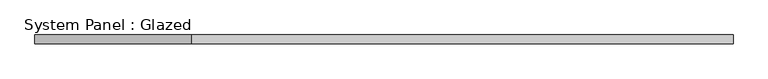
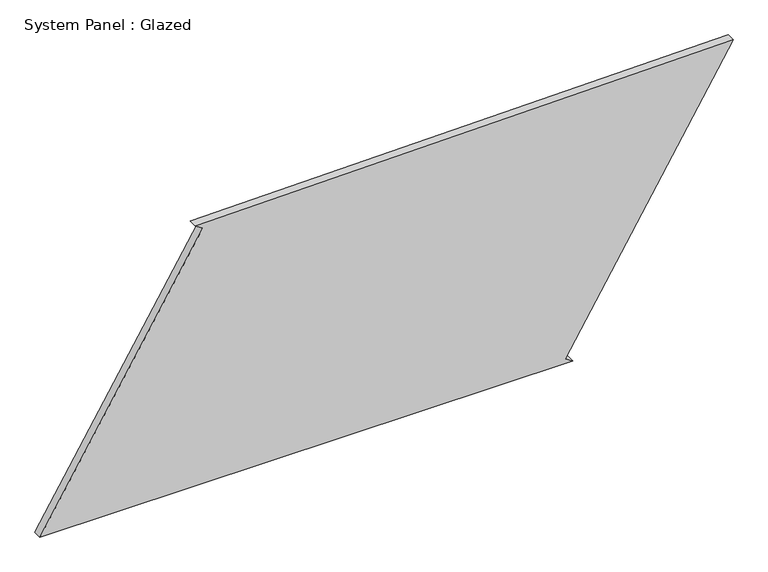
"""IFC4 building model written with IfcOpenShell, lengths in millimetres: plate geometry, System Panel : Glazed."""

from ifc_helpers import new_model, si_unit, frame, origin, place, context, project, spatial, polyline, outline, extrude, source, transform, mapped, element, save


def system_panel_glazed_52e73036(model_context):
    return source(origin(), model_context, "Body", "SweptSolid", [
        extrude(outline(polyline([(0.0, -992.1849959), (0.0, 532.949417), (12.893145, 511.5305746), (811.3842274, 992.1849959), (786.3453533, -547.058159), (773.4326393, -525.6511084), (0.0, -992.1849959)])), frame((0.0, -49.5, 0.0), z_axis=(0.0, 1.0, 0.0), x_axis=(0.0, 0.0, 1.0)), (0.0, 0.0, 1.0), 25.0),
    ])


if __name__ == "__main__":
    model = new_model("IFC4")
    model_context = context("Model", 3, world=origin())
    ifc_project = project(units=[si_unit("LENGTHUNIT", "METRE", prefix="MILLI")], contexts=[model_context])
    site = spatial("IfcSite", under=ifc_project)
    building = spatial("IfcBuilding", under=site)
    placement = place(None, origin())
    system_panel_glazed_shape = system_panel_glazed_52e73036(model_context)
    element("IfcPlate", 1, ObjectType="System Panel : Glazed", at=placement, inside=building, context=model_context, shape_type="MappedRepresentation", body=[
        mapped(system_panel_glazed_shape, transform((0.0, 0.0, 0.0), x_axis=(1.0, 0.0, 0.0), y_axis=(0.0, 1.0, 0.0), z_axis=(0.0, 0.0, 1.0))),
    ])
    save(model, "model.ifc")
